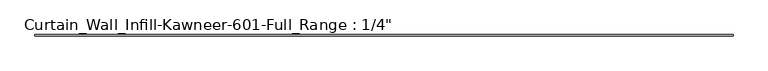
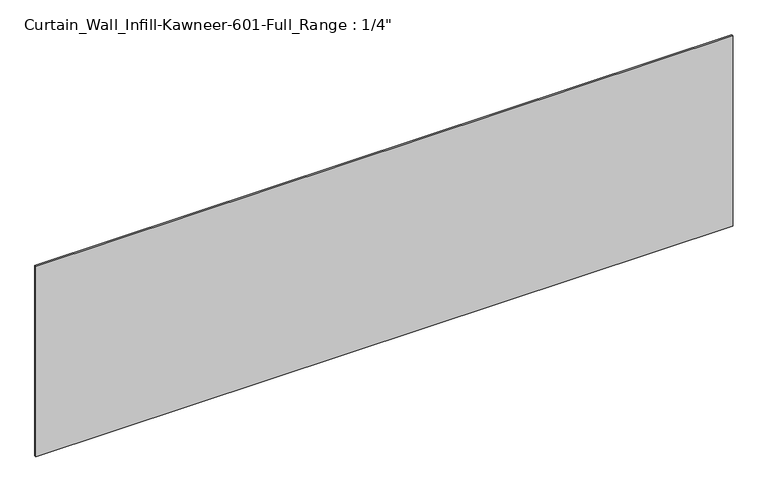
"""IFC4 building model written with IfcOpenShell, lengths in millimetres: plate geometry."""

from ifc_helpers import new_model, si_unit, frame, origin, place, context, project, spatial, polyline, outline, extrude, source, transform, mapped, element, save


def plate_40631594(model_context):
    return source(origin(), model_context, "Body", "SweptSolid", [
        extrude(outline(polyline([(-1473.2, 0.0), (-1473.2, 6.35), (1473.2, 6.35), (1473.2, 0.0), (-1473.2, 0.0)])), frame((0.0, 0.0, -9.525), z_axis=(0.0, 0.0, 1.0), x_axis=(1.0, 0.0, 0.0)), (0.0, 0.0, 1.0), 850.9),
    ])


if __name__ == "__main__":
    model = new_model("IFC4")
    model_context = context("Model", 3, world=origin())
    ifc_project = project(units=[si_unit("LENGTHUNIT", "METRE", prefix="MILLI")], contexts=[model_context])
    site = spatial("IfcSite", under=ifc_project)
    building = spatial("IfcBuilding", under=site)
    placement = place(None, origin())
    plate_shape = plate_40631594(model_context)
    element("IfcPlate", 1, ObjectType="Curtain_Wall_Infill-Kawneer-601-Full_Range : 1/4\"", at=placement, inside=building, context=model_context, shape_type="MappedRepresentation", body=[
        mapped(plate_shape, transform((0.0, 0.0, 0.0), x_axis=(1.0, 0.0, 0.0), y_axis=(0.0, 1.0, 0.0), z_axis=(0.0, 0.0, 1.0))),
    ])
    save(model, "model.ifc")
